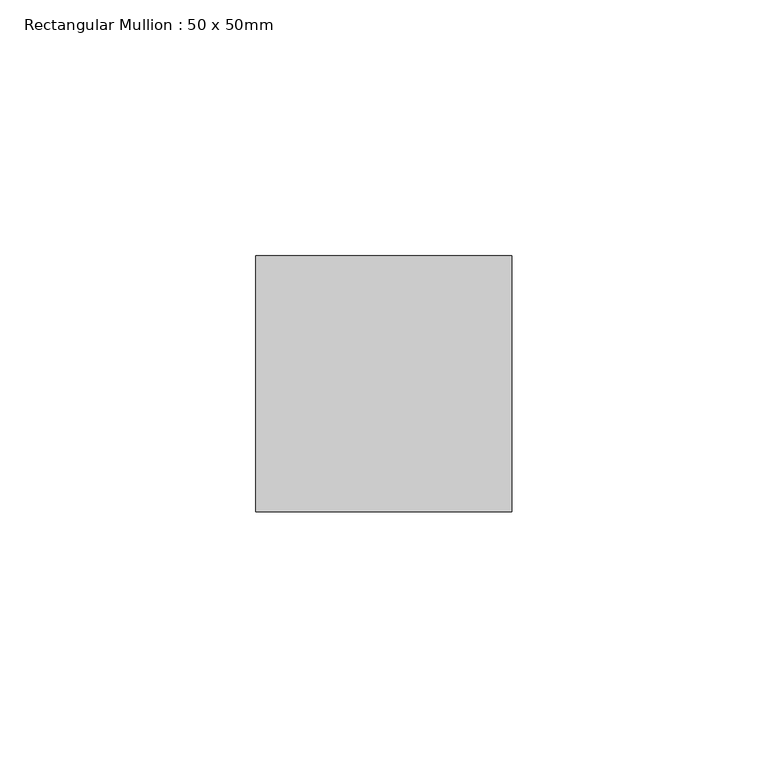
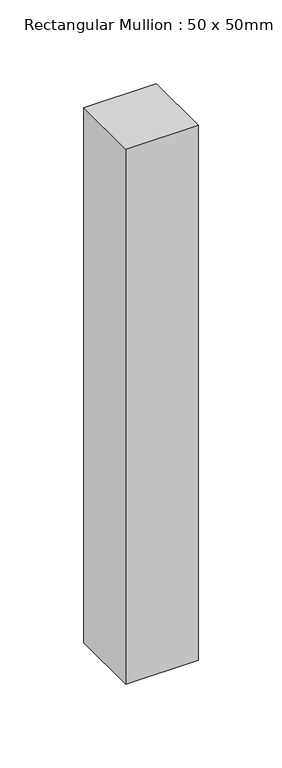
"""IFC4 building model written with IfcOpenShell, lengths in millimetres: member geometry, Rectangular Mullion : 50 x 50mm."""

from ifc_helpers import new_model, si_unit, frame, origin, place, context, project, spatial, polyline, outline, extrude, source, transform, mapped, element, save


def rectangular_mullion_50_x_50mm_c5bcacc6(model_context):
    return source(origin(), model_context, "Body", "SweptSolid", [
        extrude(outline(polyline([(0.0, 50.0), (0.0, 0.0), (-50.0, 0.0), (-50.0, 50.0), (0.0, 50.0)])), frame((0.0, 0.0, -390.0), z_axis=(0.0, 0.0, 1.0), x_axis=(1.0, 0.0, 0.0)), (0.0, 0.0, 1.0), 390.0),
    ])


if __name__ == "__main__":
    model = new_model("IFC4")
    model_context = context("Model", 3, world=origin())
    ifc_project = project(units=[si_unit("LENGTHUNIT", "METRE", prefix="MILLI")], contexts=[model_context])
    site = spatial("IfcSite", under=ifc_project)
    building = spatial("IfcBuilding", under=site)
    placement = place(None, origin())
    rectangular_mullion_50_x_50mm_shape = rectangular_mullion_50_x_50mm_c5bcacc6(model_context)
    element("IfcMember", 1, ObjectType="Rectangular Mullion : 50 x 50mm", at=placement, inside=building, context=model_context, shape_type="MappedRepresentation", body=[
        mapped(rectangular_mullion_50_x_50mm_shape, transform((0.0, 0.0, 0.0), x_axis=(1.0, 0.0, 0.0), y_axis=(0.0, 1.0, 0.0), z_axis=(0.0, 0.0, 1.0))),
    ])
    save(model, "model.ifc")
